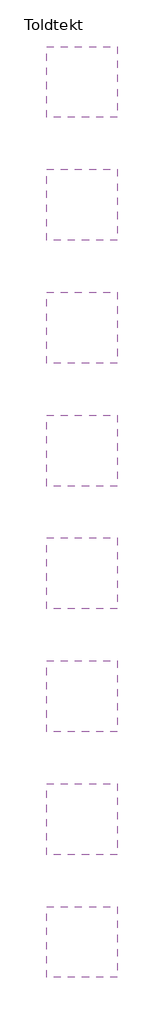
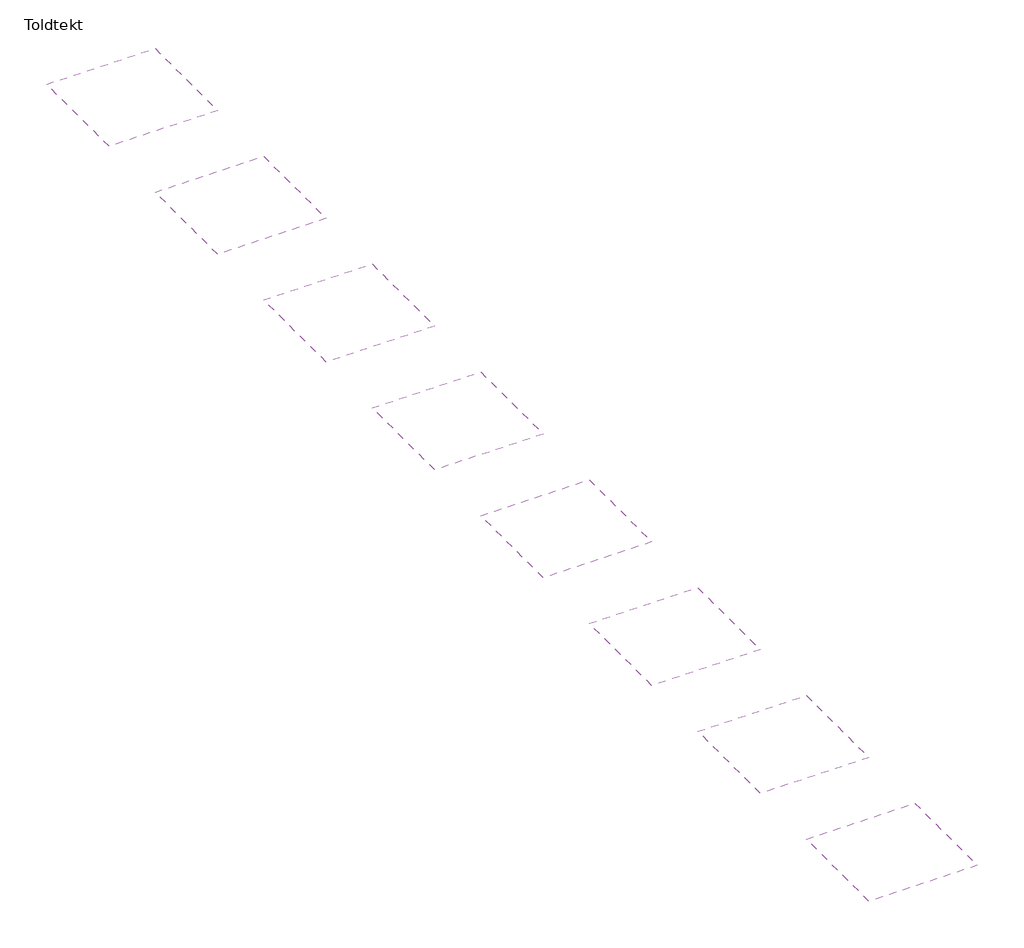
# One storey: 8 coverings.
"""IFC4 building model written with IfcOpenShell, lengths in millimetres."""

from ifc_helpers import new_model, si_unit, frame, origin, place, context, project, spatial, polyline, outline, extrude, element, save

model = new_model("IFC4")

# Units and contexts
model_context = context("Model", 3, world=origin())
ifc_project = project(units=[si_unit("LENGTHUNIT", "METRE", prefix="MILLI")], contexts=[model_context])

# Site, building, storey
site = spatial("IfcSite", under=ifc_project)
building = spatial("IfcBuilding", under=site)
storey = spatial("IfcBuildingStorey", under=building, Name="Toldtekt", Elevation=0.0)

# Coverings
placement = place(None, origin())
element("IfcCovering", 1, ObjectType="Troldtekt_C60var-C60str_25mm, 600X1200 running bond", at=placement, inside=storey, context=model_context, shape_type="SweptSolid", body=[
    extrude(outline(polyline([(17169.5723108, 24163.0097108), (17169.5723108, 21163.0097108), (14169.5723108, 21163.0097108), (14169.5723108, 24163.0097108), (17169.5723108, 24163.0097108)])), frame((0.0, 0.0, 2600.0), z_axis=(0.0, 0.0, 1.0), x_axis=(1.0, 0.0, 0.0)), (0.0, 0.0, 1.0), 52.0),
])
element("IfcCovering", 2, ObjectType="Troldtekt_C60var-C60str_25mm, 600X1200 stack bond", at=placement, inside=storey, context=model_context, shape_type="SweptSolid", body=[
    extrude(outline(polyline([(17169.5723108, 18963.021805), (17169.5723108, 15963.021805), (14169.5723108, 15963.021805), (14169.5723108, 18963.021805), (17169.5723108, 18963.021805)])), frame((0.0, 0.0, 2600.0), z_axis=(0.0, 0.0, 1.0), x_axis=(1.0, 0.0, 0.0)), (0.0, 0.0, 1.0), 52.0),
])
element("IfcCovering", 3, ObjectType="Troldtekt_C60var-C60str_25mm, 600X2000 running bond", at=placement, inside=storey, context=model_context, shape_type="SweptSolid", body=[
    extrude(outline(polyline([(17169.5723108, 13763.0338993), (17169.5723108, 10763.0338993), (14169.5723108, 10763.0338993), (14169.5723108, 13763.0338993), (17169.5723108, 13763.0338993)])), frame((0.0, 0.0, 2600.0), z_axis=(0.0, 0.0, 1.0), x_axis=(1.0, 0.0, 0.0)), (0.0, 0.0, 1.0), 52.0),
])
element("IfcCovering", 4, ObjectType="Troldtekt_C60var-C60str_25mm, 600X2000 stack bond", at=placement, inside=storey, context=model_context, shape_type="SweptSolid", body=[
    extrude(outline(polyline([(17169.5723108, 8563.0459935), (17169.5723108, 5563.0459935), (14169.5723108, 5563.0459935), (14169.5723108, 8563.0459935), (17169.5723108, 8563.0459935)])), frame((0.0, 0.0, 2600.0), z_axis=(0.0, 0.0, 1.0), x_axis=(1.0, 0.0, 0.0)), (0.0, 0.0, 1.0), 52.0),
])
element("IfcCovering", 5, ObjectType="Troldtekt_C60var-C60str_25mm, 600X2400 running bond", at=placement, inside=storey, context=model_context, shape_type="SweptSolid", body=[
    extrude(outline(polyline([(17169.5723108, 3363.0580878), (17169.5723108, 363.0580878), (14169.5723108, 363.0580878), (14169.5723108, 3363.0580878), (17169.5723108, 3363.0580878)])), frame((0.0, 0.0, 2600.0), z_axis=(0.0, 0.0, 1.0), x_axis=(1.0, 0.0, 0.0)), (0.0, 0.0, 1.0), 52.0),
])
element("IfcCovering", 6, ObjectType="Troldtekt_C60var-C60str_25mm, 600X2400 stack bond", at=placement, inside=storey, context=model_context, shape_type="SweptSolid", body=[
    extrude(outline(polyline([(17169.5723108, -1836.929818), (17169.5723108, -4836.929818), (14169.5723108, -4836.929818), (14169.5723108, -1836.929818), (17169.5723108, -1836.929818)])), frame((0.0, 0.0, 2600.0), z_axis=(0.0, 0.0, 1.0), x_axis=(1.0, 0.0, 0.0)), (0.0, 0.0, 1.0), 52.0),
])
element("IfcCovering", 7, ObjectType="Troldtekt_C60var-C60str_25mm, 600X600 running bond", at=placement, inside=storey, context=model_context, shape_type="SweptSolid", body=[
    extrude(outline(polyline([(17169.5723108, 34562.9855223), (17169.5723108, 31562.9855223), (14169.5723108, 31562.9855223), (14169.5723108, 34562.9855223), (17169.5723108, 34562.9855223)])), frame((0.0, 0.0, 2600.0), z_axis=(0.0, 0.0, 1.0), x_axis=(1.0, 0.0, 0.0)), (0.0, 0.0, 1.0), 52.0),
])
element("IfcCovering", 8, ObjectType="Troldtekt_C60var-C60str_25mm, 600X600 stack bond", at=placement, inside=storey, context=model_context, shape_type="SweptSolid", body=[
    extrude(outline(polyline([(17169.5723108, 29362.9976165), (17169.5723108, 26362.9976165), (14169.5723108, 26362.9976165), (14169.5723108, 29362.9976165), (17169.5723108, 29362.9976165)])), frame((0.0, 0.0, 2600.0), z_axis=(0.0, 0.0, 1.0), x_axis=(1.0, 0.0, 0.0)), (0.0, 0.0, 1.0), 52.0),
])

save(model, "model.ifc")
